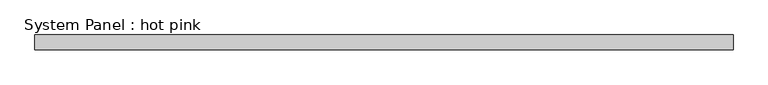
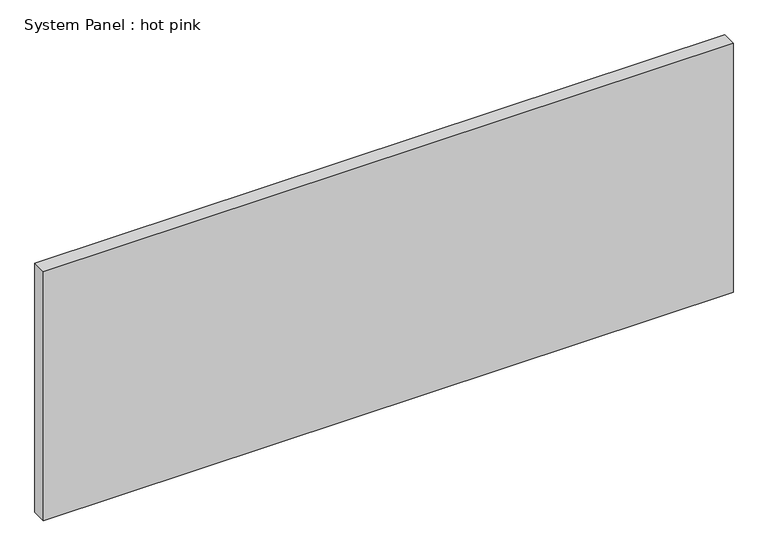
"""IFC4 building model written with IfcOpenShell, lengths in millimetres: plate geometry, System Panel : hot pink."""

from ifc_helpers import new_model, si_unit, origin, origin_with_axes, place, context, project, spatial, polyline, outline, extrude, source, transform, mapped, element, save


def system_panel_hot_pink_3741632c(model_context):
    return source(origin(), model_context, "Body", "SweptSolid", [
        extrude(outline(polyline([(1472.9465529, -44.45), (-1472.9465529, -44.45), (-1472.9465529, 19.05), (1472.9465529, 19.05), (1472.9465529, -44.45)])), origin_with_axes(), (0.0, 0.0, 1.0), 1123.95),
    ])


if __name__ == "__main__":
    model = new_model("IFC4")
    model_context = context("Model", 3, world=origin())
    ifc_project = project(units=[si_unit("LENGTHUNIT", "METRE", prefix="MILLI")], contexts=[model_context])
    site = spatial("IfcSite", under=ifc_project)
    building = spatial("IfcBuilding", under=site)
    placement = place(None, origin())
    system_panel_hot_pink_shape = system_panel_hot_pink_3741632c(model_context)
    element("IfcPlate", 1, ObjectType="System Panel : hot pink", at=placement, inside=building, context=model_context, shape_type="MappedRepresentation", body=[
        mapped(system_panel_hot_pink_shape, transform((0.0, 0.0, 0.0), x_axis=(1.0, 0.0, 0.0), y_axis=(0.0, 1.0, 0.0), z_axis=(0.0, 0.0, 1.0))),
    ])
    save(model, "model.ifc")
